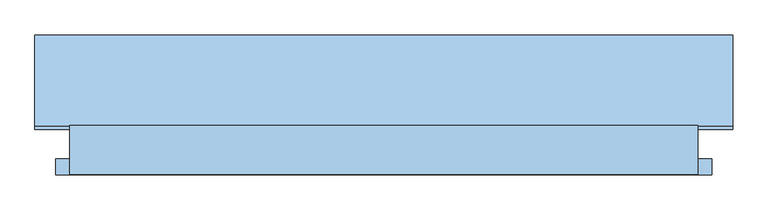
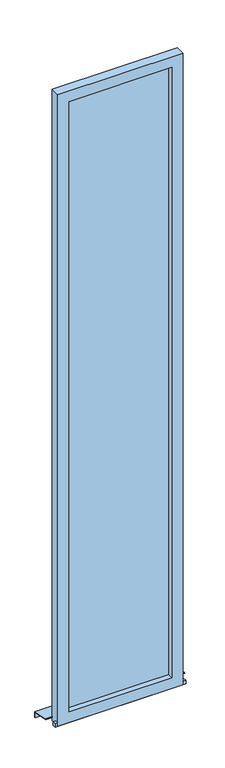
"""IFC4 building model written with IfcOpenShell, lengths in millimetres: window geometry."""

from ifc_helpers import new_model, si_unit, frame, origin, place, context, project, spatial, polyline, outline, extrude, source, transform, mapped, element, save


def window_9bf5e63c(model_context):
    return source(origin(), model_context, "Body", "SweptSolid", [
        extrude(outline(polyline([(626.8584094, -65.9407167), (626.8584094, -73.9407167), (-113.1415906, -73.9407167), (-113.1415906, -65.9407167), (626.8584094, -65.9407167)])), frame((0.0, 0.0, 980.0), z_axis=(0.0, 0.0, 1.0), x_axis=(1.0, 0.0, 0.0)), (0.0, 0.0, 1.0), 4630.0),
        extrude(outline(polyline([(5690.0, 706.8584094), (5690.0, -193.1415906), (900.0, -193.1415906), (900.0, 706.8584094), (5690.0, 706.8584094)]), holes=[polyline([(5610.0, -113.1415906), (5610.0, 626.8584094), (980.0, 626.8584094), (980.0, -113.1415906), (5610.0, -113.1415906)])]), frame((0.0, -114.9407167, 0.0), z_axis=(0.0, 1.0, 0.0), x_axis=(0.0, 0.0, 1.0)), (0.0, 0.0, 1.0), 70.0),
        extrude(outline(polyline([(-44.9407167, 932.632353), (85.0592833, 905.0), (85.0592833, 865.0), (80.0592833, 865.0), (80.0592833, 900.9510798), (-49.9407167, 928.5834329), (-49.9407167, 930.0), (-44.9407167, 930.0), (-44.9407167, 932.632353)])), frame((-243.1415906, 0.0, 0.0), z_axis=(1.0, 0.0, 0.0), x_axis=(0.0, 1.0, 0.0)), (0.0, 0.0, 1.0), 1000.0),
        extrude(outline(polyline([(-213.1415906, -114.9407167), (-213.1415906, -91.9407167), (726.8584094, -91.9407167), (726.8584094, -114.9407167), (-213.1415906, -114.9407167)])), frame((0.0, 0.0, 900.0), z_axis=(0.0, 0.0, 1.0), x_axis=(1.0, 0.0, 0.0)), (0.0, 0.0, 1.0), 25.0),
    ])


if __name__ == "__main__":
    model = new_model("IFC4")
    model_context = context("Model", 3, world=origin())
    ifc_project = project(units=[si_unit("LENGTHUNIT", "METRE", prefix="MILLI")], contexts=[model_context])
    site = spatial("IfcSite", under=ifc_project)
    building = spatial("IfcBuilding", under=site)
    placement = place(None, origin())
    window_shape = window_9bf5e63c(model_context)
    element("IfcWindow", 1, at=placement, inside=building, context=model_context, shape_type="MappedRepresentation", body=[
        mapped(window_shape, transform((0.0, 0.0, 0.0), x_axis=(1.0, 0.0, 0.0), y_axis=(0.0, 1.0, 0.0), z_axis=(0.0, 0.0, 1.0))),
    ])
    save(model, "model.ifc")
